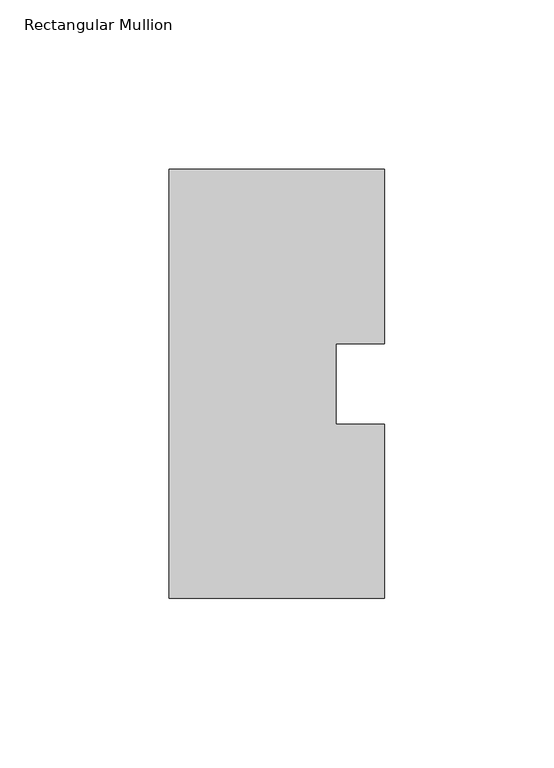
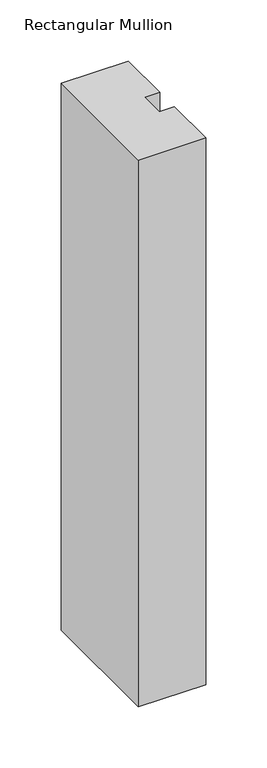
"""IFC4 building model written with IfcOpenShell, lengths in millimetres: member geometry, Rectangular Mullion."""

from ifc_helpers import new_model, si_unit, frame, origin, place, context, project, spatial, polyline, outline, extrude, source, transform, mapped, element, save


def rectangular_mullion_7fa071e9(model_context):
    return source(origin(), model_context, "Body", "SweptSolid", [
        extrude(outline(polyline([(-63.5, 126.75235), (0.0, 126.75235), (0.0, 75.40625), (-14.2748, 75.40625), (-14.2748, 51.60645), (0.0, 51.60645), (0.0, 0.26035), (-63.5, 0.26035), (-63.5, 126.75235)])), frame((0.0, 0.0, -546.1), z_axis=(0.0, 0.0, 1.0), x_axis=(1.0, 0.0, 0.0)), (0.0, 0.0, 1.0), 546.1),
    ])


if __name__ == "__main__":
    model = new_model("IFC4")
    model_context = context("Model", 3, world=origin())
    ifc_project = project(units=[si_unit("LENGTHUNIT", "METRE", prefix="MILLI")], contexts=[model_context])
    site = spatial("IfcSite", under=ifc_project)
    building = spatial("IfcBuilding", under=site)
    placement = place(None, origin())
    rectangular_mullion_shape = rectangular_mullion_7fa071e9(model_context)
    element("IfcMember", 1, ObjectType="Rectangular Mullion", at=placement, inside=building, context=model_context, shape_type="MappedRepresentation", body=[
        mapped(rectangular_mullion_shape, transform((0.0, 0.0, 0.0), x_axis=(1.0, 0.0, 0.0), y_axis=(0.0, 1.0, 0.0), z_axis=(0.0, 0.0, 1.0))),
    ])
    save(model, "model.ifc")
